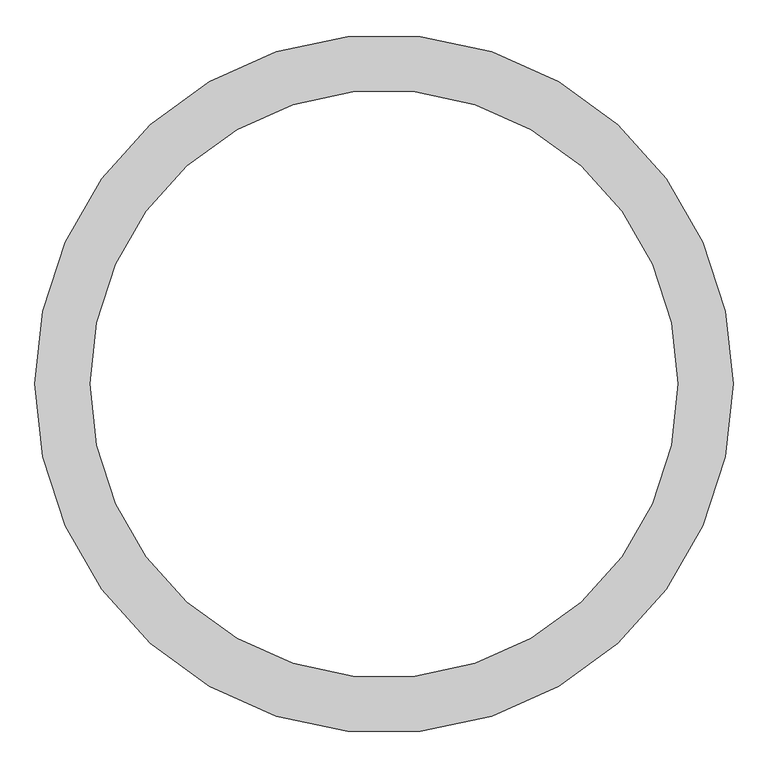
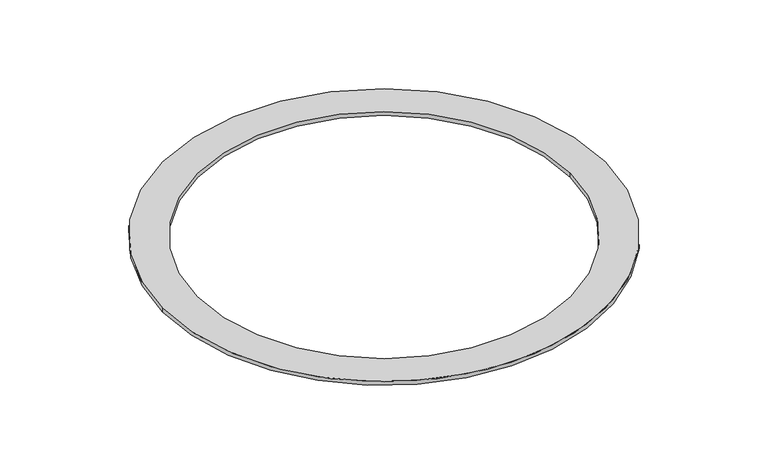
"""IFC4 building model written with IfcOpenShell, lengths in millimetres: furniture geometry."""

from ifc_helpers import new_model, si_unit, point, origin, origin_with_axes, origin_2d, place, context, project, spatial, circle_curve, trimmed, segment, composite_curve, outline, extrude, source, transform, mapped, element, save


def furniture_7679a61e(model_context):
    return source(origin(), model_context, "Body", "SweptSolid", [
        extrude(outline(composite_curve([segment(trimmed(circle_curve(origin_2d(), 568.7787204), [point((-568.7787204, 0.0))], [point((568.7787204, 0.0))], False, "CARTESIAN"), True, "CONTINUOUS"), segment(trimmed(circle_curve(origin_2d(), 568.7787204), [point((568.7787204, 0.0))], [point((-568.7787204, 0.0))], False, "CARTESIAN"), True, "CONTINUOUS")], self_intersect=False), holes=[composite_curve([segment(trimmed(circle_curve(origin_2d(), 478.7787204), [point((478.7787204, 0.0))], [point((-478.7787204, 0.0))], True, "CARTESIAN"), True, "CONTINUOUS"), segment(trimmed(circle_curve(origin_2d(), 478.7787204), [point((-478.7787204, 0.0))], [point((478.7787204, 0.0))], True, "CARTESIAN"), True, "CONTINUOUS")], self_intersect=False)]), origin_with_axes(), (0.0, 0.0, 1.0), 10.0),
    ])


if __name__ == "__main__":
    model = new_model("IFC4")
    model_context = context("Model", 3, world=origin())
    ifc_project = project(units=[si_unit("LENGTHUNIT", "METRE", prefix="MILLI")], contexts=[model_context])
    site = spatial("IfcSite", under=ifc_project)
    building = spatial("IfcBuilding", under=site)
    placement = place(None, origin())
    furniture_shape = furniture_7679a61e(model_context)
    element("IfcFurniture", 1, at=placement, inside=building, context=model_context, shape_type="MappedRepresentation", body=[
        mapped(furniture_shape, transform((0.0, 0.0, 0.0), x_axis=(1.0, 0.0, 0.0), y_axis=(0.0, 1.0, 0.0), z_axis=(0.0, 0.0, 1.0))),
    ])
    save(model, "model.ifc")
